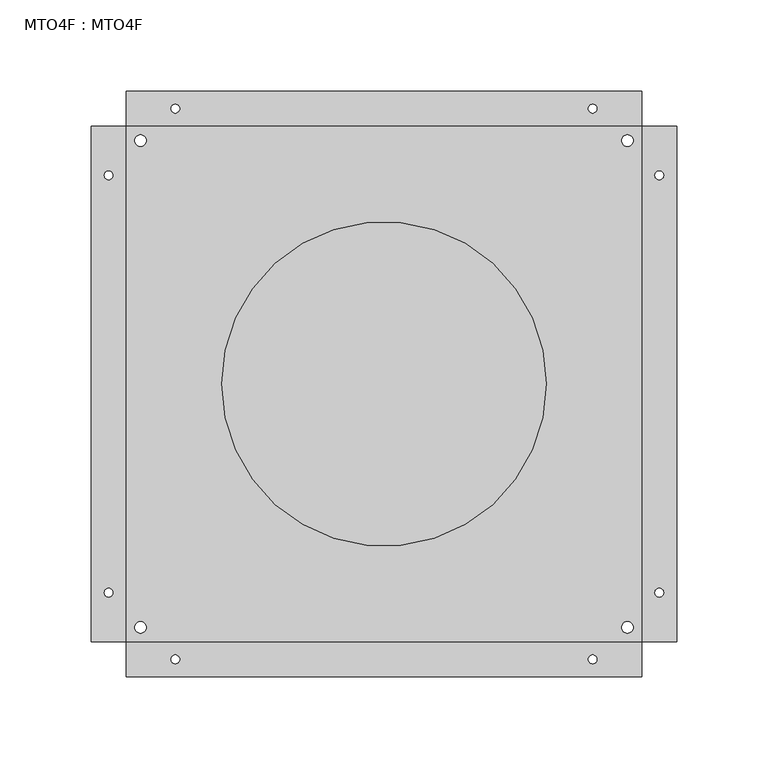
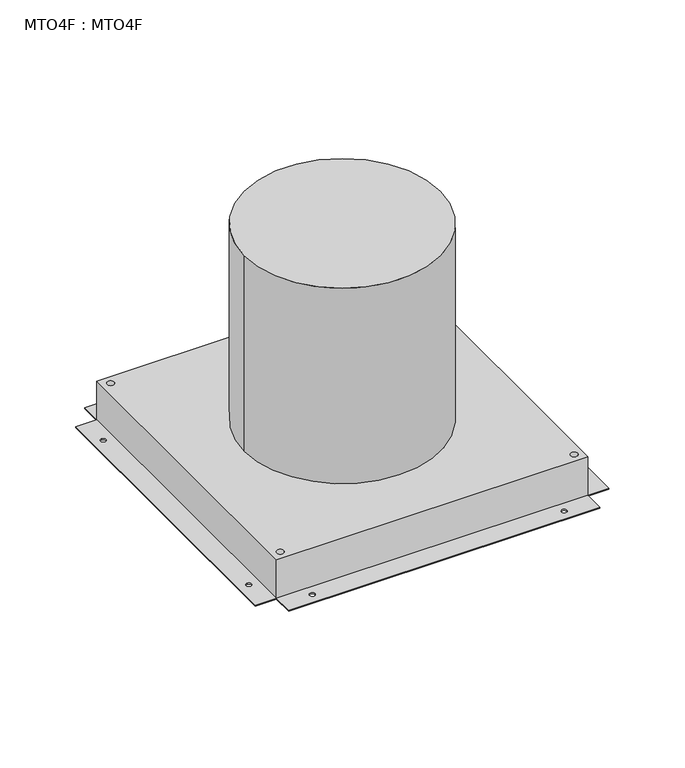
"""IFC4 building model written with IfcOpenShell, lengths in millimetres: proxy geometry, MTO4F : MTO4F."""

from ifc_helpers import new_model, si_unit, point, frame, frame_2d, origin, origin_with_axes, origin_2d, place, context, project, spatial, polyline, circle_curve, trimmed, segment, composite_curve, outline, extrude, source, transform, mapped, element, save


def mto4f_mto4f_db3a64e4(model_context):
    return source(origin(), model_context, "Body", "SweptSolid", [
        extrude(outline(polyline([(160.3374928, 141.2875), (160.3374928, -141.2875056), (141.2875, -141.2875056), (141.2875, 141.2875), (160.3374928, 141.2875)]), holes=[composite_curve([segment(trimmed(circle_curve(frame_2d((150.8125, -114.3)), 2.38125), [point((150.8125, -116.68125))], [point((150.8125, -111.91875))], True, "CARTESIAN"), True, "CONTINUOUS"), segment(trimmed(circle_curve(frame_2d((150.8125, -114.3)), 2.38125), [point((150.8125, -111.91875))], [point((150.8125, -116.68125))], True, "CARTESIAN"), True, "CONTINUOUS")], self_intersect=False), composite_curve([segment(trimmed(circle_curve(frame_2d((150.8125, 114.3)), 2.38125), [point((150.8125, 111.91875))], [point((150.8125, 116.68125))], True, "CARTESIAN"), True, "CONTINUOUS"), segment(trimmed(circle_curve(frame_2d((150.8125, 114.3)), 2.38125), [point((150.8125, 116.68125))], [point((150.8125, 111.91875))], True, "CARTESIAN"), True, "CONTINUOUS")], self_intersect=False)]), origin_with_axes(), (0.0, 0.0, 1.0), 1.016),
        extrude(outline(polyline([(-141.2875, -141.2875056), (-160.3374928, -141.2875056), (-160.3374928, 141.2875), (-141.2875, 141.2875), (-141.2875, -141.2875056)]), holes=[composite_curve([segment(trimmed(circle_curve(frame_2d((-150.8125, -114.3)), 2.38125), [point((-150.8125, -116.68125))], [point((-150.8125, -111.91875))], True, "CARTESIAN"), True, "CONTINUOUS"), segment(trimmed(circle_curve(frame_2d((-150.8125, -114.3)), 2.38125), [point((-150.8125, -111.91875))], [point((-150.8125, -116.68125))], True, "CARTESIAN"), True, "CONTINUOUS")], self_intersect=False), composite_curve([segment(trimmed(circle_curve(frame_2d((-150.8125, 114.3)), 2.38125), [point((-150.8125, 111.91875))], [point((-150.8125, 116.68125))], True, "CARTESIAN"), True, "CONTINUOUS"), segment(trimmed(circle_curve(frame_2d((-150.8125, 114.3)), 2.38125), [point((-150.8125, 116.68125))], [point((-150.8125, 111.91875))], True, "CARTESIAN"), True, "CONTINUOUS")], self_intersect=False)]), origin_with_axes(), (0.0, 0.0, 1.0), 1.016),
        extrude(outline(polyline([(141.2875, 160.3374928), (141.2875, 141.2875), (-141.2875056, 141.2875), (-141.2875056, 160.3374928), (141.2875, 160.3374928)]), holes=[composite_curve([segment(trimmed(circle_curve(frame_2d((-114.3, 150.8125)), 2.38125), [point((-116.68125, 150.8125))], [point((-111.91875, 150.8125))], True, "CARTESIAN"), True, "CONTINUOUS"), segment(trimmed(circle_curve(frame_2d((-114.3, 150.8125)), 2.38125), [point((-111.91875, 150.8125))], [point((-116.68125, 150.8125))], True, "CARTESIAN"), True, "CONTINUOUS")], self_intersect=False), composite_curve([segment(trimmed(circle_curve(frame_2d((114.3, 150.8125)), 2.38125), [point((111.91875, 150.8125))], [point((116.68125, 150.8125))], True, "CARTESIAN"), True, "CONTINUOUS"), segment(trimmed(circle_curve(frame_2d((114.3, 150.8125)), 2.38125), [point((116.68125, 150.8125))], [point((111.91875, 150.8125))], True, "CARTESIAN"), True, "CONTINUOUS")], self_intersect=False)]), origin_with_axes(), (0.0, 0.0, 1.0), 1.016),
        extrude(outline(polyline([(-141.2875056, -141.2875), (141.2875, -141.2875), (141.2875, -160.3374928), (-141.2875056, -160.3374928), (-141.2875056, -141.2875)]), holes=[composite_curve([segment(trimmed(circle_curve(frame_2d((-114.3, -150.8125)), 2.38125), [point((-116.68125, -150.8125))], [point((-111.91875, -150.8125))], True, "CARTESIAN"), True, "CONTINUOUS"), segment(trimmed(circle_curve(frame_2d((-114.3, -150.8125)), 2.38125), [point((-111.91875, -150.8125))], [point((-116.68125, -150.8125))], True, "CARTESIAN"), True, "CONTINUOUS")], self_intersect=False), composite_curve([segment(trimmed(circle_curve(frame_2d((114.3, -150.8125)), 2.38125), [point((111.91875, -150.8125))], [point((116.68125, -150.8125))], True, "CARTESIAN"), True, "CONTINUOUS"), segment(trimmed(circle_curve(frame_2d((114.3, -150.8125)), 2.38125), [point((116.68125, -150.8125))], [point((111.91875, -150.8125))], True, "CARTESIAN"), True, "CONTINUOUS")], self_intersect=False)]), origin_with_axes(), (0.0, 0.0, 1.0), 1.016),
        extrude(outline(composite_curve([segment(trimmed(circle_curve(origin_2d(), 50.8), [point((-50.8, 0.0))], [point((50.8, 0.0))], False, "CARTESIAN"), True, "CONTINUOUS"), segment(trimmed(circle_curve(origin_2d(), 50.8), [point((50.8, 0.0))], [point((-50.8, 0.0))], False, "CARTESIAN"), True, "CONTINUOUS")], self_intersect=False)), frame((0.0, 0.0, -82.55), z_axis=(0.0, 0.0, 1.0), x_axis=(1.0, 0.0, 0.0)), (0.0, 0.0, 1.0), 25.4),
        extrude(outline(composite_curve([segment(trimmed(circle_curve(origin_2d(), 88.8999965), [point((-88.8999965, 0.0))], [point((88.8999965, 0.0))], False, "CARTESIAN"), True, "CONTINUOUS"), segment(trimmed(circle_curve(origin_2d(), 88.8999965), [point((88.8999965, 0.0))], [point((-88.8999965, 0.0))], False, "CARTESIAN"), True, "CONTINUOUS")], self_intersect=False)), frame((0.0, 0.0, -57.15), z_axis=(0.0, 0.0, 1.0), x_axis=(1.0, 0.0, 0.0)), (0.0, 0.0, 1.0), 57.15),
        extrude(outline(composite_curve([segment(trimmed(circle_curve(origin_2d(), 88.8999965), [point((-88.8999965, 0.0))], [point((88.8999965, 0.0))], False, "CARTESIAN"), True, "CONTINUOUS"), segment(trimmed(circle_curve(origin_2d(), 88.8999965), [point((88.8999965, 0.0))], [point((-88.8999965, 0.0))], False, "CARTESIAN"), True, "CONTINUOUS")], self_intersect=False)), frame((0.0, 0.0, 38.1), z_axis=(0.0, 0.0, 1.0), x_axis=(1.0, 0.0, 0.0)), (0.0, 0.0, 1.0), 187.452),
        extrude(outline(polyline([(141.2875, 141.2875), (141.2875, -141.2875), (-141.2875, -141.2875), (-141.2875, 141.2875), (141.2875, 141.2875)]), holes=[composite_curve([segment(trimmed(circle_curve(frame_2d((133.3499947, 133.3499947)), 3.1749999), [point((130.1749948, 133.3499947))], [point((136.5249946, 133.3499947))], True, "CARTESIAN"), True, "CONTINUOUS"), segment(trimmed(circle_curve(frame_2d((133.3499947, 133.3499947)), 3.1749999), [point((136.5249946, 133.3499947))], [point((130.1749948, 133.3499947))], True, "CARTESIAN"), True, "CONTINUOUS")], self_intersect=False), composite_curve([segment(trimmed(circle_curve(frame_2d((-133.3499947, 133.3499947)), 3.1749999), [point((-136.5249946, 133.3499947))], [point((-130.1749948, 133.3499947))], True, "CARTESIAN"), True, "CONTINUOUS"), segment(trimmed(circle_curve(frame_2d((-133.3499947, 133.3499947)), 3.1749999), [point((-130.1749948, 133.3499947))], [point((-136.5249946, 133.3499947))], True, "CARTESIAN"), True, "CONTINUOUS")], self_intersect=False), composite_curve([segment(trimmed(circle_curve(frame_2d((-133.3499947, -133.3499947)), 3.1749999), [point((-136.5249946, -133.3499947))], [point((-130.1749948, -133.3499947))], True, "CARTESIAN"), True, "CONTINUOUS"), segment(trimmed(circle_curve(frame_2d((-133.3499947, -133.3499947)), 3.1749999), [point((-130.1749948, -133.3499947))], [point((-136.5249946, -133.3499947))], True, "CARTESIAN"), True, "CONTINUOUS")], self_intersect=False), composite_curve([segment(trimmed(circle_curve(frame_2d((133.3499947, -133.3499947)), 3.1749999), [point((130.1749948, -133.3499947))], [point((136.5249946, -133.3499947))], True, "CARTESIAN"), True, "CONTINUOUS"), segment(trimmed(circle_curve(frame_2d((133.3499947, -133.3499947)), 3.1749999), [point((136.5249946, -133.3499947))], [point((130.1749948, -133.3499947))], True, "CARTESIAN"), True, "CONTINUOUS")], self_intersect=False)]), origin_with_axes(), (0.0, 0.0, 1.0), 38.1),
    ])


if __name__ == "__main__":
    model = new_model("IFC4")
    model_context = context("Model", 3, world=origin())
    ifc_project = project(units=[si_unit("LENGTHUNIT", "METRE", prefix="MILLI")], contexts=[model_context])
    site = spatial("IfcSite", under=ifc_project)
    building = spatial("IfcBuilding", under=site)
    placement = place(None, origin())
    mto4f_mto4f_shape = mto4f_mto4f_db3a64e4(model_context)
    element("IfcBuildingElementProxy", 1, Name="MTO4F : MTO4F", ObjectType="MTO4F : MTO4F", at=placement, inside=building, context=model_context, shape_type="MappedRepresentation", body=[
        mapped(mto4f_mto4f_shape, transform((0.0, 0.0, 0.0), x_axis=(1.0, 0.0, 0.0), y_axis=(0.0, 1.0, 0.0), z_axis=(0.0, 0.0, 1.0))),
    ])
    save(model, "model.ifc")
